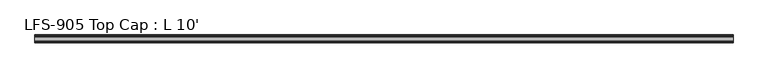
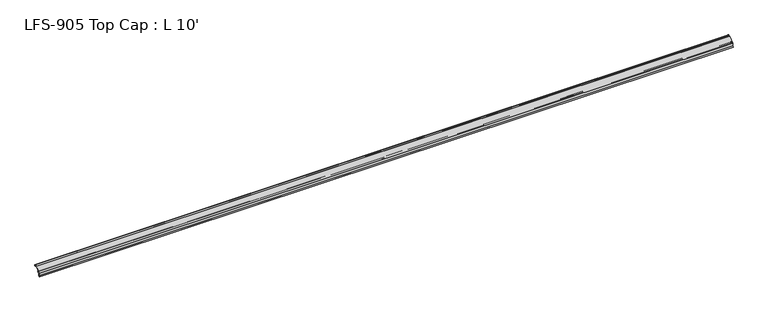
"""IFC4 building model written with IfcOpenShell, lengths in millimetres: proxy geometry, LFS-905 Top Cap : L 10'."""

from ifc_helpers import new_model, si_unit, frame, origin, place, context, project, spatial, polyline, circle_curve, source, transform, mapped, element, save
from ifc_brep_helpers import plane_surface, cylinder_surface, revolved_surface, advanced_brep


def lfs_905_top_cap_l_10_83d93c91(model_context):
    return source(origin(), model_context, "Body", "AdvancedBrep", [
        advanced_brep(
        [(3048.0, -11.9842063, -4.7908498), (3048.0, -11.285332, -4.0919755), (3048.0, -10.4181218, -4.4511858), (3048.0, -10.0845373, -5.4848681), (3048.0, -8.8306218, -4.8356596), (3048.0, -8.8306218, -2.8545037), (3048.0, -6.319747, -2.2238726), (3048.0, -6.162328, -3.1153995), (3048.0, -4.5467242, -3.078236), (3048.0, -6.0988312, -0.2880269), (3048.0, -6.2733116, 0.9200448), (3048.0, 6.6291755, 13.822532), (3048.0, 7.7517076, 14.2875), (3048.0, 12.2396814, 14.2875), (3048.0, 12.7331269, 13.6587708), (3048.0, 15.9234901, 10.1995675), (3048.0, 16.9994388, 10.5588377), (3048.0, 16.7818575, 12.1019757), (3048.0, 15.8731607, 11.8349932), (3048.0, 15.5626213, 14.2875), (3048.0, 16.7406298, 14.2875), (3048.0, 16.7406298, 15.875), (3048.0, 15.7631892, 15.875), (3048.0, 6.4365795, 15.875), (3048.0, -14.0366743, -4.5982538), (3048.0, -14.0366743, -15.7272521), (3048.0, -17.4717033, -19.1622811), (3048.0, -16.3491713, -20.2848131), (3048.0, -12.4491743, -16.3848161), (3048.0, -12.4491743, -5.9133818), (0.0, -11.9842063, -4.7908498), (0.0, -12.4491743, -5.9133818), (0.0, -12.4491743, -16.3848161), (0.0, -16.3491713, -20.2848131), (0.0, -17.4717033, -19.1622811), (0.0, -14.0366743, -15.7272521), (0.0, -14.0366743, -4.5982538), (0.0, 6.4365795, 15.875), (0.0, 15.7631892, 15.875), (0.0, 16.7406298, 15.875), (0.0, 16.7406298, 14.2875), (0.0, 15.5626213, 14.2875), (0.0, 15.8760106, 11.8365279), (0.0, 16.7818575, 12.1019757), (0.0, 16.9994388, 10.5588377), (0.0, 15.9234901, 10.1995675), (0.0, 12.7331269, 13.6587708), (0.0, 12.2396814, 14.2875), (0.0, 7.7517076, 14.2875), (0.0, 6.6291755, 13.822532), (0.0, -6.2733116, 0.9200448), (0.0, -6.0988312, -0.2880269), (0.0, -4.5467242, -3.078236), (0.0, -6.162328, -3.1153995), (0.0, -6.319747, -2.2238726), (0.0, -8.8306218, -2.8545037), (0.0, -8.8306218, -4.8356596), (0.0, -10.0845373, -5.4848681), (0.0, -10.4181218, -4.4511858), (0.0, -11.285332, -4.0919755)],
        [
            (0, 1),
            (1, 2, circle_curve(frame((3048.0, -10.9261218, -4.4511858), z_axis=(-1.0, 0.0, 0.0), x_axis=(0.0, -1.0, 0.0)), 0.508)),
            (2, 3, circle_curve(frame((3048.0, -9.2294466, -4.6382503), z_axis=(1.0, 0.0, 0.0), x_axis=(0.0, -1.0, 0.0)), 1.2033045)),
            (3, 4, circle_curve(frame((3048.0, -9.6256418, -4.8356596), z_axis=(1.0, 0.0, 0.0), x_axis=(0.0, -1.0, 0.0)), 0.79502)),
            (4, 5),
            (5, 6, circle_curve(frame((3048.0, -7.4959898, -2.8545037), z_axis=(-1.0, 0.0, 0.0), x_axis=(0.0, -1.0, 0.0)), 1.334632)),
            (6, 7, circle_curve(frame((3048.0, -8.5533469, -3.077926), z_axis=(-1.0, 0.0, 0.0), x_axis=(0.0, -1.0, 0.0)), 2.3913126)),
            (7, 8, circle_curve(frame((3048.0, -5.3538072, -3.1280712), z_axis=(1.0, 0.0, 0.0), x_axis=(0.0, -1.0, 0.0)), 0.8086201)),
            (8, 9, circle_curve(frame((3048.0, -7.5911223, -2.9449413), z_axis=(1.0, 0.0, 0.0), x_axis=(0.0, -1.0, 0.0)), 3.0473147)),
            (9, 10, circle_curve(frame((3048.0, -5.7344963, 0.3812295), z_axis=(-1.0, 0.0, 0.0), x_axis=(0.0, -1.0, 0.0)), 0.762)),
            (10, 11),
            (11, 12, circle_curve(frame((3048.0, 7.7517076, 12.7), z_axis=(-1.0, 0.0, 0.0), x_axis=(0.0, -1.0, 0.0)), 1.5875)),
            (12, 13),
            (13, 14, circle_curve(frame((3048.0, 12.2396814, 13.7795), z_axis=(-1.0, 0.0, 0.0), x_axis=(0.0, -1.0, 0.0)), 0.508)),
            (14, 15, circle_curve(frame((3048.0, 15.4040561, 12.9213125), z_axis=(1.0, 0.0, 0.0), x_axis=(0.0, -1.0, 0.0)), 2.7708676)),
            (15, 16, circle_curve(frame((3048.0, 15.1258233, 14.3792045), z_axis=(1.0, 0.0, 0.0), x_axis=(0.0, -1.0, 0.0)), 4.255072)),
            (16, 17, circle_curve(frame((3048.0, 16.7408521, 11.3092856), z_axis=(1.0, 0.0, 0.0), x_axis=(0.0, -1.0, 0.0)), 0.79375)),
            (17, 18, circle_curve(frame((3048.0, 16.957198, 9.8252866), z_axis=(1.0, 0.0, 0.0), x_axis=(0.0, -1.0, 0.0)), 2.2834311)),
            (18, 19, circle_curve(frame((3048.0, 15.4821011, 13.0316829), z_axis=(-1.0, 0.0, 0.0), x_axis=(0.0, -1.0, 0.0)), 1.2583959)),
            (19, 20),
            (20, 21, circle_curve(frame((3048.0, 16.7406298, 15.08125), z_axis=(1.0, 0.0, 0.0), x_axis=(0.0, -1.0, 0.0)), 0.79375)),
            (21, 22),
            (22, 23),
            (23, 24),
            (24, 25),
            (25, 26),
            (26, 27),
            (27, 28),
            (28, 29),
            (29, 0, circle_curve(frame((3048.0, -10.8616743, -5.9133818), z_axis=(-1.0, 0.0, 0.0), x_axis=(0.0, -1.0, 0.0)), 1.5875)),
            (30, 31, circle_curve(frame((0.0, -10.8616743, -5.9133818), z_axis=(1.0, 0.0, 0.0), x_axis=(0.0, -1.0, 0.0)), 1.5875)),
            (31, 32),
            (32, 33),
            (33, 34),
            (34, 35),
            (35, 36),
            (36, 37),
            (37, 38),
            (38, 39),
            (39, 40, circle_curve(frame((0.0, 16.7406298, 15.08125), z_axis=(-1.0, 0.0, 0.0), x_axis=(0.0, -1.0, 0.0)), 0.79375)),
            (40, 41),
            (41, 42, circle_curve(frame((0.0, 15.4821011, 13.0316829), z_axis=(1.0, 0.0, 0.0), x_axis=(0.0, -1.0, 0.0)), 1.2583959)),
            (42, 43, circle_curve(frame((0.0, 16.957198, 9.8252866), z_axis=(-1.0, 0.0, 0.0), x_axis=(0.0, -1.0, 0.0)), 2.2834311)),
            (43, 44, circle_curve(frame((0.0, 16.7408521, 11.3092856), z_axis=(-1.0, 0.0, 0.0), x_axis=(0.0, -1.0, 0.0)), 0.79375)),
            (44, 45, circle_curve(frame((0.0, 15.1258233, 14.3792045), z_axis=(-1.0, 0.0, 0.0), x_axis=(0.0, -1.0, 0.0)), 4.255072)),
            (45, 46, circle_curve(frame((0.0, 15.4040561, 12.9213125), z_axis=(-1.0, 0.0, 0.0), x_axis=(0.0, -1.0, 0.0)), 2.7708676)),
            (46, 47, circle_curve(frame((0.0, 12.2396814, 13.7795), z_axis=(1.0, 0.0, 0.0), x_axis=(0.0, -1.0, 0.0)), 0.508)),
            (47, 48),
            (48, 49, circle_curve(frame((0.0, 7.7517076, 12.7), z_axis=(1.0, 0.0, 0.0), x_axis=(0.0, -1.0, 0.0)), 1.5875)),
            (49, 50),
            (50, 51, circle_curve(frame((0.0, -5.7344963, 0.3812295), z_axis=(1.0, 0.0, 0.0), x_axis=(0.0, -1.0, 0.0)), 0.762)),
            (51, 52, circle_curve(frame((0.0, -7.5911223, -2.9449413), z_axis=(-1.0, 0.0, 0.0), x_axis=(0.0, -1.0, 0.0)), 3.0473147)),
            (52, 53, circle_curve(frame((0.0, -5.3538072, -3.1280712), z_axis=(-1.0, 0.0, 0.0), x_axis=(0.0, -1.0, 0.0)), 0.8086201)),
            (53, 54, circle_curve(frame((0.0, -8.5533469, -3.077926), z_axis=(1.0, 0.0, 0.0), x_axis=(0.0, -1.0, 0.0)), 2.3913126)),
            (54, 55, circle_curve(frame((0.0, -7.4959898, -2.8545037), z_axis=(1.0, 0.0, 0.0), x_axis=(0.0, -1.0, 0.0)), 1.334632)),
            (55, 56),
            (56, 57, circle_curve(frame((0.0, -9.6256418, -4.8356596), z_axis=(-1.0, 0.0, 0.0), x_axis=(0.0, -1.0, 0.0)), 0.79502)),
            (57, 58, circle_curve(frame((0.0, -9.2294466, -4.6382503), z_axis=(-1.0, 0.0, 0.0), x_axis=(0.0, -1.0, 0.0)), 1.2033045)),
            (58, 59, circle_curve(frame((0.0, -10.9261218, -4.4511858), z_axis=(1.0, 0.0, 0.0), x_axis=(0.0, -1.0, 0.0)), 0.508)),
            (59, 30),
            (0, 30),
            (59, 1),
            (58, 2),
            (57, 3),
            (56, 4),
            (55, 5),
            (54, 6),
            (53, 7),
            (52, 8),
            (51, 9),
            (50, 10),
            (49, 11),
            (48, 12),
            (47, 13),
            (46, 14),
            (45, 15),
            (44, 16),
            (43, 17),
            (42, 18),
            (41, 19),
            (40, 20),
            (39, 21),
            (38, 22),
            (37, 23),
            (36, 24),
            (35, 25),
            (34, 26),
            (33, 27),
            (32, 28),
            (31, 29),
        ],
        [
            plane_surface(frame((3048.0, -11.9842063, -4.7908498), z_axis=(1.0000000000000002, 0.0, 0.0), x_axis=(0.0, 0.7071067811854889, 0.7071067811876063))),
            plane_surface(frame((0.0, -11.9842063, -4.7908498), z_axis=(-1.0000000000000002, 0.0, 0.0), x_axis=(0.0, -0.7071067811854889, -0.7071067811876063))),
            plane_surface(frame((3048.0, -11.9842063, -4.7908498), z_axis=(0.0, 0.7071067811876063, -0.7071067811854889), x_axis=(-1.0, 0.0, 0.0))),
            revolved_surface(polyline([(0.0, -11.4341218, -4.4511858), (3048.0, -11.4341218, -4.4511858)]), (0.0, -10.9261218, -4.4511858), (-1.0, 0.0, 0.0)),
            cylinder_surface(frame((0.0, -9.2294466, -4.6382503), z_axis=(1.0, 0.0, 0.0), x_axis=(0.0, -1.0, 0.0)), 1.2033045),
            cylinder_surface(frame((0.0, -9.6256418, -4.8356596), z_axis=(1.0, 0.0, 0.0), x_axis=(0.0, -1.0, 0.0)), 0.79502),
            plane_surface(frame((3048.0, -8.8306218, -4.8356596), z_axis=(0.0, 1.0, 0.0), x_axis=(-1.0, 0.0, 0.0))),
            revolved_surface(polyline([(0.0, -8.8306218, -2.8545037), (3048.0, -8.8306218, -2.8545037)]), (0.0, -7.4959898, -2.8545037), (-1.0, 0.0, 0.0)),
            revolved_surface(polyline([(0.0, -10.9446595, -3.077926), (3048.0, -10.9446595, -3.077926)]), (0.0, -8.5533469, -3.077926), (-1.0, 0.0, 0.0)),
            cylinder_surface(frame((0.0, -5.3538072, -3.1280712), z_axis=(1.0, 0.0, 0.0), x_axis=(0.0, -1.0, 0.0)), 0.8086201),
            cylinder_surface(frame((0.0, -7.5911223, -2.9449413), z_axis=(1.0, 0.0, 0.0), x_axis=(0.0, -1.0, 0.0)), 3.0473147),
            revolved_surface(polyline([(0.0, -6.4964963000000004, 0.3812295), (3048.0, -6.4964963000000004, 0.3812295)]), (0.0, -5.7344963, 0.3812295), (-1.0, 0.0, 0.0)),
            plane_surface(frame((3048.0, -6.2733116, 0.9200448), z_axis=(0.0, 0.7071067811865339, -0.7071067811865612), x_axis=(-1.0, 0.0, 0.0))),
            revolved_surface(polyline([(0.0, 6.164207599999999, 12.7), (3048.0, 6.164207599999999, 12.7)]), (0.0, 7.7517076, 12.7), (-1.0, 0.0, 0.0)),
            plane_surface(frame((3048.0, 7.7517076, 14.2875), z_axis=(0.0, 0.0, -1.0), x_axis=(-1.0, 0.0, 0.0))),
            revolved_surface(polyline([(0.0, 11.7316814, 13.7795), (3048.0, 11.7316814, 13.7795)]), (0.0, 12.2396814, 13.7795), (-1.0, 0.0, 0.0)),
            cylinder_surface(frame((0.0, 15.4040561, 12.9213125), z_axis=(1.0, 0.0, 0.0), x_axis=(0.0, -1.0, 0.0)), 2.7708676),
            cylinder_surface(frame((0.0, 15.1258233, 14.3792045), z_axis=(1.0, 0.0, 0.0), x_axis=(0.0, -1.0, 0.0)), 4.255072),
            cylinder_surface(frame((0.0, 16.7408521, 11.3092856), z_axis=(1.0, 0.0, 0.0), x_axis=(0.0, -1.0, 0.0)), 0.79375),
            cylinder_surface(frame((0.0, 16.957198, 9.8252866), z_axis=(1.0, 0.0, 0.0), x_axis=(0.0, -1.0, 0.0)), 2.2834311),
            revolved_surface(polyline([(0.0, 14.2237052, 13.0316829), (3048.0, 14.2237052, 13.0316829)]), (0.0, 15.4821011, 13.0316829), (-1.0, 0.0, 0.0)),
            plane_surface(frame((3048.0, 15.5626213, 14.2875), z_axis=(0.0, 0.0, -1.0), x_axis=(-1.0, 0.0, 0.0))),
            cylinder_surface(frame((0.0, 16.7406298, 15.08125), z_axis=(1.0, 0.0, 0.0), x_axis=(0.0, -1.0, 0.0)), 0.79375),
            plane_surface(frame((3048.0, 16.7406298, 15.875), z_axis=(0.0, 0.0, 1.0), x_axis=(-1.0, 0.0, 0.0))),
            plane_surface(frame((3048.0, 15.7631892, 15.875), z_axis=(0.0, 0.0, 1.0), x_axis=(-1.0, 0.0, 0.0))),
            plane_surface(frame((3048.0, 6.4365795, 15.875), z_axis=(0.0, -0.7071067811865581, 0.7071067811865369), x_axis=(-1.0, 0.0, 0.0))),
            plane_surface(frame((3048.0, -14.0366743, -4.5982538), z_axis=(0.0, -1.0, 0.0), x_axis=(-1.0, 0.0, 0.0))),
            plane_surface(frame((3048.0, -14.0366743, -15.7272521), z_axis=(0.0, -0.7071067811866965, 0.7071067811863986), x_axis=(-1.0, 0.0, 0.0))),
            plane_surface(frame((3048.0, -17.4717033, -19.1622811), z_axis=(0.0, -0.7071067811868007, -0.7071067811862944), x_axis=(-1.0, 0.0, 0.0))),
            plane_surface(frame((3048.0, -16.3491713, -20.2848131), z_axis=(0.0, 0.7071067811865882, -0.7071067811865068), x_axis=(-1.0, 0.0, 0.0))),
            plane_surface(frame((3048.0, -12.4491743, -16.3848161), z_axis=(0.0, 1.0, 0.0), x_axis=(-1.0, 0.0, 0.0))),
            revolved_surface(polyline([(0.0, -12.449174300000001, -5.9133818), (3048.0, -12.449174300000001, -5.9133818)]), (0.0, -10.8616743, -5.9133818), (-1.0, 0.0, 0.0)),
        ],
        [
            (0, [[1, 2, 3, 4, 5, 6, 7, 8, 9, 10, 11, 12, 13, 14, 15, 16, 17, 18, 19, 20, 21, 22, 23, 24, 25, 26, 27, 28, 29, 30]]),
            (1, [[31, 32, 33, 34, 35, 36, 37, 38, 39, 40, 41, 42, 43, 44, 45, 46, 47, 48, 49, 50, 51, 52, 53, 54, 55, 56, 57, 58, 59, 60]]),
            (2, [[-1, 61, -60, 62]]),
            (3, [[-2, -62, -59, 63]]),
            (4, [[-3, -63, -58, 64]]),
            (5, [[-4, -64, -57, 65]]),
            (6, [[-5, -65, -56, 66]]),
            (7, [[-6, -66, -55, 67]]),
            (8, [[-7, -67, -54, 68]]),
            (9, [[-8, -68, -53, 69]]),
            (10, [[-9, -69, -52, 70]]),
            (11, [[-10, -70, -51, 71]]),
            (12, [[-11, -71, -50, 72]]),
            (13, [[-12, -72, -49, 73]]),
            (14, [[-13, -73, -48, 74]]),
            (15, [[-14, -74, -47, 75]]),
            (16, [[-15, -75, -46, 76]]),
            (17, [[-16, -76, -45, 77]]),
            (18, [[-17, -77, -44, 78]]),
            (19, [[-18, -78, -43, 79]]),
            (20, [[-19, -79, -42, 80]]),
            (21, [[-20, -80, -41, 81]]),
            (22, [[-21, -81, -40, 82]]),
            (23, [[-22, -82, -39, 83]]),
            (24, [[-23, -83, -38, 84]]),
            (25, [[-24, -84, -37, 85]]),
            (26, [[-25, -85, -36, 86]]),
            (27, [[-26, -86, -35, 87]]),
            (28, [[-27, -87, -34, 88]]),
            (29, [[-28, -88, -33, 89]]),
            (30, [[-29, -89, -32, 90]]),
            (31, [[-30, -90, -31, -61]]),
        ],
    ),
    ])


if __name__ == "__main__":
    model = new_model("IFC4")
    model_context = context("Model", 3, world=origin())
    ifc_project = project(units=[si_unit("LENGTHUNIT", "METRE", prefix="MILLI")], contexts=[model_context])
    site = spatial("IfcSite", under=ifc_project)
    building = spatial("IfcBuilding", under=site)
    placement = place(None, origin())
    lfs_905_top_cap_l_10_shape = lfs_905_top_cap_l_10_83d93c91(model_context)
    element("IfcBuildingElementProxy", 1, Name="LFS-905 Top Cap : L 10'", ObjectType="LFS-905 Top Cap : L 10'", at=placement, inside=building, context=model_context, shape_type="MappedRepresentation", body=[
        mapped(lfs_905_top_cap_l_10_shape, transform((0.0, 0.0, 0.0), x_axis=(1.0, 0.0, 0.0), y_axis=(0.0, 1.0, 0.0), z_axis=(0.0, 0.0, 1.0))),
    ])
    save(model, "model.ifc")
